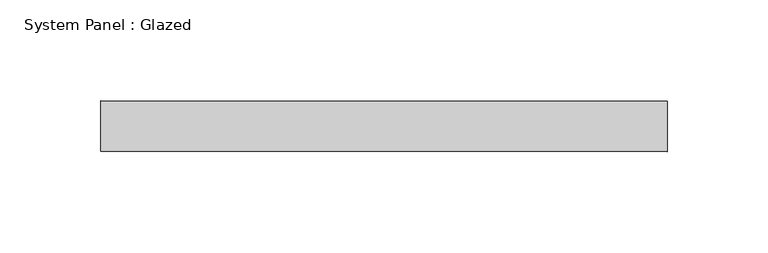
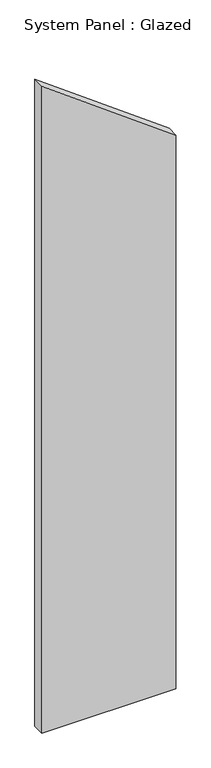
"""IFC4 building model written with IfcOpenShell, lengths in millimetres: plate geometry, System Panel : Glazed."""

from ifc_helpers import new_model, si_unit, frame, origin, place, context, project, spatial, polyline, outline, extrude, source, transform, mapped, element, save


def system_panel_glazed_e6846e70(model_context):
    return source(origin(), model_context, "Body", "SweptSolid", [
        extrude(outline(polyline([(0.0, -140.1088785), (0.0, 140.1088785), (1222.5514675, 140.1088785), (1428.6028779, -140.1088785), (0.0, -140.1088785)])), frame((0.0, -49.5, 0.0), z_axis=(0.0, 1.0, 0.0), x_axis=(0.0, 0.0, 1.0)), (0.0, 0.0, 1.0), 25.0),
    ])


if __name__ == "__main__":
    model = new_model("IFC4")
    model_context = context("Model", 3, world=origin())
    ifc_project = project(units=[si_unit("LENGTHUNIT", "METRE", prefix="MILLI")], contexts=[model_context])
    site = spatial("IfcSite", under=ifc_project)
    building = spatial("IfcBuilding", under=site)
    placement = place(None, origin())
    system_panel_glazed_shape = system_panel_glazed_e6846e70(model_context)
    element("IfcPlate", 1, ObjectType="System Panel : Glazed", at=placement, inside=building, context=model_context, shape_type="MappedRepresentation", body=[
        mapped(system_panel_glazed_shape, transform((0.0, 0.0, 0.0), x_axis=(1.0, 0.0, 0.0), y_axis=(0.0, 1.0, 0.0), z_axis=(0.0, 0.0, 1.0))),
    ])
    save(model, "model.ifc")
